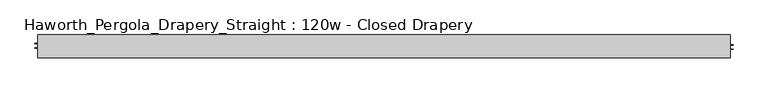
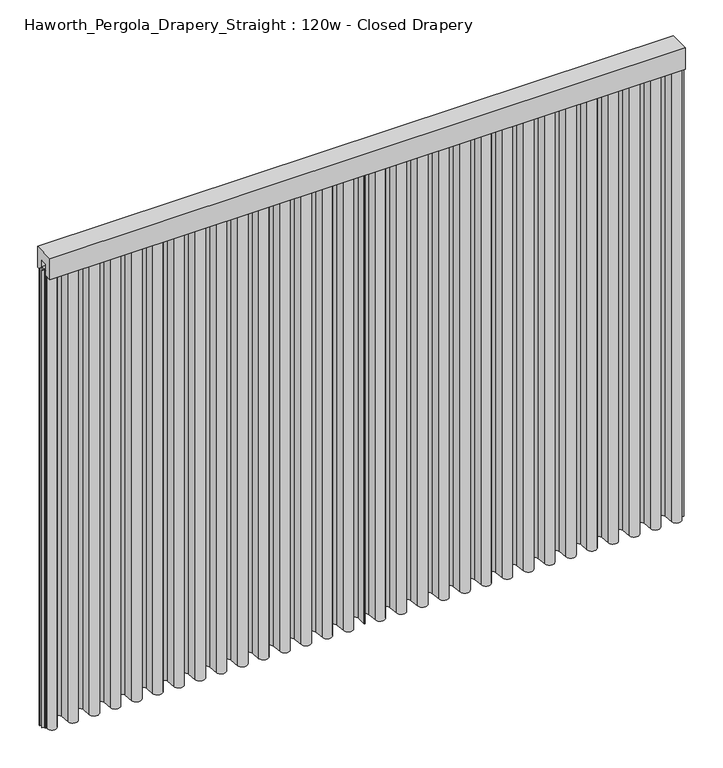
"""IFC4 building model written with IfcOpenShell, lengths in millimetres: furniture geometry, Haworth_Pergola_Drapery_Straight : 120w - Closed Drapery."""

from ifc_helpers import new_model, si_unit, point, frame, frame_2d, origin, place, context, project, spatial, polyline, circle_curve, trimmed, segment, composite_curve, outline, extrude, source, transform, mapped, element, save


def haworth_pergola_drapery_straight_120w_closed_drapery_7d684eee(model_context):
    return source(origin(), model_context, "Body", "SweptSolid", [
        extrude(outline(polyline([(-50.8, 2438.4), (50.8, 2438.4), (50.8, 2331.8390625), (15.2182948, 2331.8390625), (15.2182948, 2388.7001663), (-15.2182948, 2388.7001663), (-15.2182948, 2331.8390625), (-50.8, 2331.8390625), (-50.8, 2438.4)])), frame((-1790.7, 0.0, 0.0), z_axis=(1.0, 0.0, 0.0), x_axis=(0.0, 1.0, 0.0)), (0.0, 0.0, 1.0), 3048.0),
        extrude(outline(composite_curve([segment(polyline([(-1788.7, -20.9840165), (-1788.7, 25.4000008), (-1787.90625, 25.4000008), (-1787.90625, -20.9840165)]), True, "CONTINUOUS"), segment(trimmed(circle_curve(frame_2d((-1765.2970217, -20.9840165)), 22.6092283), [point((-1787.90625, -20.9840165))], [point((-1742.779759, -23.0211916))], True, "CARTESIAN"), True, "CONTINUOUS"), segment(polyline([(-1742.779759, -23.0211916), (-1738.5801015, 23.3983779)]), True, "CONTINUOUS"), segment(trimmed(circle_curve(frame_2d((-1714.5, 21.2198101)), 24.17845), [point((-1738.5801015, 23.3983779))], [point((-1690.4198983, 23.3983756))], False, "CARTESIAN"), True, "CONTINUOUS"), segment(polyline([(-1690.4198983, 23.3983756), (-1686.2298605, -22.9149155)]), True, "CONTINUOUS"), segment(trimmed(circle_curve(frame_2d((-1663.7000023, -20.876603)), 22.621875), [point((-1686.2298605, -22.9149155))], [point((-1641.1701443, -22.9149177))], True, "CARTESIAN"), True, "CONTINUOUS"), segment(polyline([(-1641.1701443, -22.9149177), (-1637.0109007, 23.0579488)]), True, "CONTINUOUS"), segment(trimmed(circle_curve(frame_2d((-1612.9, 20.8765946)), 24.209375), [point((-1637.0109007, 23.0579488))], [point((-1588.7890991, 23.0579465))], False, "CARTESIAN"), True, "CONTINUOUS"), segment(polyline([(-1588.7890991, 23.0579465), (-1584.6298605, -22.9149157)]), True, "CONTINUOUS"), segment(trimmed(circle_curve(frame_2d((-1562.1000023, -20.8766032)), 22.621875), [point((-1584.6298605, -22.9149157))], [point((-1539.5701443, -22.9149178))], True, "CARTESIAN"), True, "CONTINUOUS"), segment(polyline([(-1539.5701443, -22.9149178), (-1535.4109007, 23.0579492)]), True, "CONTINUOUS"), segment(trimmed(circle_curve(frame_2d((-1511.3, 20.876595)), 24.209375), [point((-1535.4109007, 23.0579492))], [point((-1487.1890991, 23.0579469))], False, "CARTESIAN"), True, "CONTINUOUS"), segment(polyline([(-1487.1890991, 23.0579469), (-1483.0298605, -22.9149155)]), True, "CONTINUOUS"), segment(trimmed(circle_curve(frame_2d((-1460.5000023, -20.876603)), 22.621875), [point((-1483.0298605, -22.9149155))], [point((-1437.9701443, -22.9149177))], True, "CARTESIAN"), True, "CONTINUOUS"), segment(polyline([(-1437.9701443, -22.9149177), (-1433.7801015, 23.3983779)]), True, "CONTINUOUS"), segment(trimmed(circle_curve(frame_2d((-1409.7, 21.2198101)), 24.17845), [point((-1433.7801015, 23.3983779))], [point((-1385.6198983, 23.3983756))], False, "CARTESIAN"), True, "CONTINUOUS"), segment(polyline([(-1385.6198983, 23.3983756), (-1381.4298605, -22.9149155)]), True, "CONTINUOUS"), segment(trimmed(circle_curve(frame_2d((-1358.9000023, -20.876603)), 22.621875), [point((-1381.4298605, -22.9149155))], [point((-1336.3701443, -22.9149177))], True, "CARTESIAN"), True, "CONTINUOUS"), segment(polyline([(-1336.3701443, -22.9149177), (-1332.1801015, 23.3983779)]), True, "CONTINUOUS"), segment(trimmed(circle_curve(frame_2d((-1308.1, 21.2198101)), 24.17845), [point((-1332.1801015, 23.3983779))], [point((-1284.0198983, 23.3983756))], False, "CARTESIAN"), True, "CONTINUOUS"), segment(polyline([(-1284.0198983, 23.3983756), (-1279.8298605, -22.9149155)]), True, "CONTINUOUS"), segment(trimmed(circle_curve(frame_2d((-1257.3000023, -20.876603)), 22.621875), [point((-1279.8298605, -22.9149155))], [point((-1234.7701443, -22.9149177))], True, "CARTESIAN"), True, "CONTINUOUS"), segment(polyline([(-1234.7701443, -22.9149177), (-1230.5801015, 23.3983779)]), True, "CONTINUOUS"), segment(trimmed(circle_curve(frame_2d((-1206.5, 21.2198101)), 24.17845), [point((-1230.5801015, 23.3983779))], [point((-1182.4198983, 23.3983756))], False, "CARTESIAN"), True, "CONTINUOUS"), segment(polyline([(-1182.4198983, 23.3983756), (-1178.2298605, -22.9149155)]), True, "CONTINUOUS"), segment(trimmed(circle_curve(frame_2d((-1155.7000023, -20.876603)), 22.621875), [point((-1178.2298605, -22.9149155))], [point((-1133.1701443, -22.9149177))], True, "CARTESIAN"), True, "CONTINUOUS"), segment(polyline([(-1133.1701443, -22.9149177), (-1128.9801015, 23.3983779)]), True, "CONTINUOUS"), segment(trimmed(circle_curve(frame_2d((-1104.9, 21.2198101)), 24.17845), [point((-1128.9801015, 23.3983779))], [point((-1080.8198983, 23.3983756))], False, "CARTESIAN"), True, "CONTINUOUS"), segment(polyline([(-1080.8198983, 23.3983756), (-1076.6298605, -22.9149155)]), True, "CONTINUOUS"), segment(trimmed(circle_curve(frame_2d((-1054.1000023, -20.876603)), 22.621875), [point((-1076.6298605, -22.9149155))], [point((-1031.5701443, -22.9149177))], True, "CARTESIAN"), True, "CONTINUOUS"), segment(polyline([(-1031.5701443, -22.9149177), (-1027.3801015, 23.3983779)]), True, "CONTINUOUS"), segment(trimmed(circle_curve(frame_2d((-1003.3, 21.2198101)), 24.17845), [point((-1027.3801015, 23.3983779))], [point((-979.2198983, 23.3983756))], False, "CARTESIAN"), True, "CONTINUOUS"), segment(polyline([(-979.2198983, 23.3983756), (-975.0298605, -22.9149155)]), True, "CONTINUOUS"), segment(trimmed(circle_curve(frame_2d((-952.5000023, -20.876603)), 22.621875), [point((-975.0298605, -22.9149155))], [point((-929.9701443, -22.9149177))], True, "CARTESIAN"), True, "CONTINUOUS"), segment(polyline([(-929.9701443, -22.9149177), (-925.7801015, 23.3983779)]), True, "CONTINUOUS"), segment(trimmed(circle_curve(frame_2d((-901.7, 21.2198101)), 24.17845), [point((-925.7801015, 23.3983779))], [point((-877.6198983, 23.3983756))], False, "CARTESIAN"), True, "CONTINUOUS"), segment(polyline([(-877.6198983, 23.3983756), (-873.4298605, -22.9149155)]), True, "CONTINUOUS"), segment(trimmed(circle_curve(frame_2d((-850.9000023, -20.876603)), 22.621875), [point((-873.4298605, -22.9149155))], [point((-828.3701443, -22.9149177))], True, "CARTESIAN"), True, "CONTINUOUS"), segment(polyline([(-828.3701443, -22.9149177), (-824.1801015, 23.3983779)]), True, "CONTINUOUS"), segment(trimmed(circle_curve(frame_2d((-800.1, 21.2198101)), 24.17845), [point((-824.1801015, 23.3983779))], [point((-776.0198983, 23.3983756))], False, "CARTESIAN"), True, "CONTINUOUS"), segment(polyline([(-776.0198983, 23.3983756), (-771.8298605, -22.9149155)]), True, "CONTINUOUS"), segment(trimmed(circle_curve(frame_2d((-749.3000023, -20.876603)), 22.621875), [point((-771.8298605, -22.9149155))], [point((-726.7701443, -22.9149177))], True, "CARTESIAN"), True, "CONTINUOUS"), segment(polyline([(-726.7701443, -22.9149177), (-722.5801015, 23.3983779)]), True, "CONTINUOUS"), segment(trimmed(circle_curve(frame_2d((-698.5, 21.2198101)), 24.17845), [point((-722.5801015, 23.3983779))], [point((-674.4198983, 23.3983756))], False, "CARTESIAN"), True, "CONTINUOUS"), segment(polyline([(-674.4198983, 23.3983756), (-670.2298605, -22.9149155)]), True, "CONTINUOUS"), segment(trimmed(circle_curve(frame_2d((-647.7000023, -20.876603)), 22.621875), [point((-670.2298605, -22.9149155))], [point((-625.1701443, -22.9149177))], True, "CARTESIAN"), True, "CONTINUOUS"), segment(polyline([(-625.1701443, -22.9149177), (-620.9801015, 23.3983779)]), True, "CONTINUOUS"), segment(trimmed(circle_curve(frame_2d((-596.9, 21.2198101)), 24.17845), [point((-620.9801015, 23.3983779))], [point((-572.8198983, 23.3983756))], False, "CARTESIAN"), True, "CONTINUOUS"), segment(polyline([(-572.8198983, 23.3983756), (-568.6298605, -22.9149155)]), True, "CONTINUOUS"), segment(trimmed(circle_curve(frame_2d((-546.1000023, -20.876603)), 22.621875), [point((-568.6298605, -22.9149155))], [point((-523.5701443, -22.9149177))], True, "CARTESIAN"), True, "CONTINUOUS"), segment(polyline([(-523.5701443, -22.9149177), (-519.3801015, 23.3983779)]), True, "CONTINUOUS"), segment(trimmed(circle_curve(frame_2d((-495.3, 21.2198101)), 24.17845), [point((-519.3801015, 23.3983779))], [point((-471.2198983, 23.3983756))], False, "CARTESIAN"), True, "CONTINUOUS"), segment(polyline([(-471.2198983, 23.3983756), (-467.0298605, -22.9149155)]), True, "CONTINUOUS"), segment(trimmed(circle_curve(frame_2d((-444.5000023, -20.876603)), 22.621875), [point((-467.0298605, -22.9149155))], [point((-421.9701443, -22.9149177))], True, "CARTESIAN"), True, "CONTINUOUS"), segment(polyline([(-421.9701443, -22.9149177), (-417.7801015, 23.3983779)]), True, "CONTINUOUS"), segment(trimmed(circle_curve(frame_2d((-393.7, 21.2198101)), 24.17845), [point((-417.7801015, 23.3983779))], [point((-369.6198983, 23.3983756))], False, "CARTESIAN"), True, "CONTINUOUS"), segment(polyline([(-369.6198983, 23.3983756), (-365.4298605, -22.9149155)]), True, "CONTINUOUS"), segment(trimmed(circle_curve(frame_2d((-342.9000023, -20.876603)), 22.621875), [point((-365.4298605, -22.9149155))], [point((-320.3701443, -22.9149177))], True, "CARTESIAN"), True, "CONTINUOUS"), segment(polyline([(-320.3701443, -22.9149177), (-316.1822049, 23.3751286)]), True, "CONTINUOUS"), segment(trimmed(circle_curve(frame_2d((-292.1409329, 21.2000738)), 24.139462), [point((-316.1822049, 23.3751286))], [point((-268.0014709, 21.2000738))], False, "CARTESIAN"), True, "CONTINUOUS"), segment(polyline([(-268.0014709, 21.2000738), (-268.0014709, -25.4000007), (-268.7952209, -25.4000007), (-268.7952209, 21.2000738)]), True, "CONTINUOUS"), segment(trimmed(circle_curve(frame_2d((-292.1409329, 21.2000738)), 23.345712), [point((-268.7952209, 21.2000738))], [point((-315.3916836, 23.3036088))], True, "CARTESIAN"), True, "CONTINUOUS"), segment(polyline([(-315.3916836, 23.3036088), (-319.5796229, -22.9864375)]), True, "CONTINUOUS"), segment(trimmed(circle_curve(frame_2d((-342.9000023, -20.876603)), 23.415625), [point((-319.5796229, -22.9864375))], [point((-366.2203818, -22.9864352))], False, "CARTESIAN"), True, "CONTINUOUS"), segment(polyline([(-366.2203818, -22.9864352), (-370.4104196, 23.3268558)]), True, "CONTINUOUS"), segment(trimmed(circle_curve(frame_2d((-393.7, 21.2198101)), 23.3847), [point((-370.4104196, 23.3268558))], [point((-416.9895802, 23.3268581))], True, "CARTESIAN"), True, "CONTINUOUS"), segment(polyline([(-416.9895802, 23.3268581), (-421.1796229, -22.9864375)]), True, "CONTINUOUS"), segment(trimmed(circle_curve(frame_2d((-444.5000023, -20.876603)), 23.415625), [point((-421.1796229, -22.9864375))], [point((-467.8203818, -22.9864352))], False, "CARTESIAN"), True, "CONTINUOUS"), segment(polyline([(-467.8203818, -22.9864352), (-472.0104196, 23.3268558)]), True, "CONTINUOUS"), segment(trimmed(circle_curve(frame_2d((-495.3, 21.2198101)), 23.3847), [point((-472.0104196, 23.3268558))], [point((-518.5895802, 23.3268581))], True, "CARTESIAN"), True, "CONTINUOUS"), segment(polyline([(-518.5895802, 23.3268581), (-522.7796229, -22.9864375)]), True, "CONTINUOUS"), segment(trimmed(circle_curve(frame_2d((-546.1000023, -20.876603)), 23.415625), [point((-522.7796229, -22.9864375))], [point((-569.4203818, -22.9864352))], False, "CARTESIAN"), True, "CONTINUOUS"), segment(polyline([(-569.4203818, -22.9864352), (-573.6104196, 23.3268558)]), True, "CONTINUOUS"), segment(trimmed(circle_curve(frame_2d((-596.9, 21.2198101)), 23.3847), [point((-573.6104196, 23.3268558))], [point((-620.1895802, 23.3268581))], True, "CARTESIAN"), True, "CONTINUOUS"), segment(polyline([(-620.1895802, 23.3268581), (-624.3796229, -22.9864375)]), True, "CONTINUOUS"), segment(trimmed(circle_curve(frame_2d((-647.7000023, -20.876603)), 23.415625), [point((-624.3796229, -22.9864375))], [point((-671.0203818, -22.9864352))], False, "CARTESIAN"), True, "CONTINUOUS"), segment(polyline([(-671.0203818, -22.9864352), (-675.2104196, 23.3268558)]), True, "CONTINUOUS"), segment(trimmed(circle_curve(frame_2d((-698.5, 21.2198101)), 23.3847), [point((-675.2104196, 23.3268558))], [point((-721.7895802, 23.3268581))], True, "CARTESIAN"), True, "CONTINUOUS"), segment(polyline([(-721.7895802, 23.3268581), (-725.9796229, -22.9864375)]), True, "CONTINUOUS"), segment(trimmed(circle_curve(frame_2d((-749.3000023, -20.876603)), 23.415625), [point((-725.9796229, -22.9864375))], [point((-772.6203818, -22.9864352))], False, "CARTESIAN"), True, "CONTINUOUS"), segment(polyline([(-772.6203818, -22.9864352), (-776.8104196, 23.3268558)]), True, "CONTINUOUS"), segment(trimmed(circle_curve(frame_2d((-800.1, 21.2198101)), 23.3847), [point((-776.8104196, 23.3268558))], [point((-823.3895802, 23.3268581))], True, "CARTESIAN"), True, "CONTINUOUS"), segment(polyline([(-823.3895802, 23.3268581), (-827.5796229, -22.9864375)]), True, "CONTINUOUS"), segment(trimmed(circle_curve(frame_2d((-850.9000023, -20.876603)), 23.415625), [point((-827.5796229, -22.9864375))], [point((-874.2203818, -22.9864352))], False, "CARTESIAN"), True, "CONTINUOUS"), segment(polyline([(-874.2203818, -22.9864352), (-878.4104196, 23.3268558)]), True, "CONTINUOUS"), segment(trimmed(circle_curve(frame_2d((-901.7, 21.2198101)), 23.3847), [point((-878.4104196, 23.3268558))], [point((-924.9895802, 23.3268581))], True, "CARTESIAN"), True, "CONTINUOUS"), segment(polyline([(-924.9895802, 23.3268581), (-929.1796229, -22.9864375)]), True, "CONTINUOUS"), segment(trimmed(circle_curve(frame_2d((-952.5000023, -20.876603)), 23.415625), [point((-929.1796229, -22.9864375))], [point((-975.8203818, -22.9864352))], False, "CARTESIAN"), True, "CONTINUOUS"), segment(polyline([(-975.8203818, -22.9864352), (-980.0104196, 23.3268558)]), True, "CONTINUOUS"), segment(trimmed(circle_curve(frame_2d((-1003.3, 21.2198101)), 23.3847), [point((-980.0104196, 23.3268558))], [point((-1026.5895802, 23.3268581))], True, "CARTESIAN"), True, "CONTINUOUS"), segment(polyline([(-1026.5895802, 23.3268581), (-1030.7796229, -22.9864375)]), True, "CONTINUOUS"), segment(trimmed(circle_curve(frame_2d((-1054.1000023, -20.876603)), 23.415625), [point((-1030.7796229, -22.9864375))], [point((-1077.4203818, -22.9864352))], False, "CARTESIAN"), True, "CONTINUOUS"), segment(polyline([(-1077.4203818, -22.9864352), (-1081.6104196, 23.3268558)]), True, "CONTINUOUS"), segment(trimmed(circle_curve(frame_2d((-1104.9, 21.2198101)), 23.3847), [point((-1081.6104196, 23.3268558))], [point((-1128.1895802, 23.3268581))], True, "CARTESIAN"), True, "CONTINUOUS"), segment(polyline([(-1128.1895802, 23.3268581), (-1132.3796229, -22.9864375)]), True, "CONTINUOUS"), segment(trimmed(circle_curve(frame_2d((-1155.7000023, -20.876603)), 23.415625), [point((-1132.3796229, -22.9864375))], [point((-1179.0203818, -22.9864352))], False, "CARTESIAN"), True, "CONTINUOUS"), segment(polyline([(-1179.0203818, -22.9864352), (-1183.2104196, 23.3268558)]), True, "CONTINUOUS"), segment(trimmed(circle_curve(frame_2d((-1206.5, 21.2198101)), 23.3847), [point((-1183.2104196, 23.3268558))], [point((-1229.7895802, 23.3268581))], True, "CARTESIAN"), True, "CONTINUOUS"), segment(polyline([(-1229.7895802, 23.3268581), (-1233.9796229, -22.9864375)]), True, "CONTINUOUS"), segment(trimmed(circle_curve(frame_2d((-1257.3000023, -20.876603)), 23.415625), [point((-1233.9796229, -22.9864375))], [point((-1280.6203818, -22.9864352))], False, "CARTESIAN"), True, "CONTINUOUS"), segment(polyline([(-1280.6203818, -22.9864352), (-1284.8104196, 23.3268558)]), True, "CONTINUOUS"), segment(trimmed(circle_curve(frame_2d((-1308.1, 21.2198101)), 23.3847), [point((-1284.8104196, 23.3268558))], [point((-1331.3895802, 23.3268581))], True, "CARTESIAN"), True, "CONTINUOUS"), segment(polyline([(-1331.3895802, 23.3268581), (-1335.5796229, -22.9864375)]), True, "CONTINUOUS"), segment(trimmed(circle_curve(frame_2d((-1358.9000023, -20.876603)), 23.415625), [point((-1335.5796229, -22.9864375))], [point((-1382.2203818, -22.9864352))], False, "CARTESIAN"), True, "CONTINUOUS"), segment(polyline([(-1382.2203818, -22.9864352), (-1386.4104196, 23.3268558)]), True, "CONTINUOUS"), segment(trimmed(circle_curve(frame_2d((-1409.7, 21.2198101)), 23.3847), [point((-1386.4104196, 23.3268558))], [point((-1432.9895802, 23.3268581))], True, "CARTESIAN"), True, "CONTINUOUS"), segment(polyline([(-1432.9895802, 23.3268581), (-1437.1796229, -22.9864375)]), True, "CONTINUOUS"), segment(trimmed(circle_curve(frame_2d((-1460.5000023, -20.876603)), 23.415625), [point((-1437.1796229, -22.9864375))], [point((-1483.8203818, -22.9864352))], False, "CARTESIAN"), True, "CONTINUOUS"), segment(polyline([(-1483.8203818, -22.9864352), (-1487.9796205, 22.9864271)]), True, "CONTINUOUS"), segment(trimmed(circle_curve(frame_2d((-1511.3, 20.876595)), 23.415625), [point((-1487.9796205, 22.9864271))], [point((-1534.6203794, 22.9864294))], True, "CARTESIAN"), True, "CONTINUOUS"), segment(polyline([(-1534.6203794, 22.9864294), (-1538.7796229, -22.9864377)]), True, "CONTINUOUS"), segment(trimmed(circle_curve(frame_2d((-1562.1000023, -20.8766032)), 23.415625), [point((-1538.7796229, -22.9864377))], [point((-1585.4203818, -22.9864354))], False, "CARTESIAN"), True, "CONTINUOUS"), segment(polyline([(-1585.4203818, -22.9864354), (-1589.5796205, 22.9864268)]), True, "CONTINUOUS"), segment(trimmed(circle_curve(frame_2d((-1612.9, 20.8765946)), 23.415625), [point((-1589.5796205, 22.9864268))], [point((-1636.2203794, 22.986429))], True, "CARTESIAN"), True, "CONTINUOUS"), segment(polyline([(-1636.2203794, 22.986429), (-1640.3796229, -22.9864375)]), True, "CONTINUOUS"), segment(trimmed(circle_curve(frame_2d((-1663.7000023, -20.876603)), 23.415625), [point((-1640.3796229, -22.9864375))], [point((-1687.0203818, -22.9864352))], False, "CARTESIAN"), True, "CONTINUOUS"), segment(polyline([(-1687.0203818, -22.9864352), (-1691.2104196, 23.3268558)]), True, "CONTINUOUS"), segment(trimmed(circle_curve(frame_2d((-1714.5, 21.2198101)), 23.3847), [point((-1691.2104196, 23.3268558))], [point((-1737.7895802, 23.3268581))], True, "CARTESIAN"), True, "CONTINUOUS"), segment(polyline([(-1737.7895802, 23.3268581), (-1741.9892377, -23.0927114)]), True, "CONTINUOUS"), segment(trimmed(circle_curve(frame_2d((-1765.2970217, -20.9840165)), 23.4029783), [point((-1741.9892377, -23.0927114))], [point((-1788.7, -20.9840165))], False, "CARTESIAN"), True, "CONTINUOUS")], self_intersect=False)), frame((0.0, 0.0, 38.1), z_axis=(0.0, 0.0, 1.0), x_axis=(1.0, 0.0, 0.0)), (0.0, 0.0, 1.0), 2305.05),
        extrude(outline(composite_curve([segment(trimmed(circle_curve(frame_2d((1231.8971615, -20.9840165)), 23.4029783), [point((1255.3001398, -20.9840165))], [point((1208.5893775, -23.0927114))], False, "CARTESIAN"), True, "CONTINUOUS"), segment(polyline([(1208.5893775, -23.0927114), (1204.3897199, 23.3268581)]), True, "CONTINUOUS"), segment(trimmed(circle_curve(frame_2d((1181.1001398, 21.2198101)), 23.3847), [point((1204.3897199, 23.3268581))], [point((1157.8105594, 23.3268558))], True, "CARTESIAN"), True, "CONTINUOUS"), segment(polyline([(1157.8105594, 23.3268558), (1153.6205216, -22.9864352)]), True, "CONTINUOUS"), segment(trimmed(circle_curve(frame_2d((1130.300142, -20.876603)), 23.415625), [point((1153.6205216, -22.9864352))], [point((1106.9797627, -22.9864375))], False, "CARTESIAN"), True, "CONTINUOUS"), segment(polyline([(1106.9797627, -22.9864375), (1102.8205191, 22.986429)]), True, "CONTINUOUS"), segment(trimmed(circle_curve(frame_2d((1079.5001398, 20.8765946)), 23.415625), [point((1102.8205191, 22.986429))], [point((1056.1797603, 22.9864268))], True, "CARTESIAN"), True, "CONTINUOUS"), segment(polyline([(1056.1797603, 22.9864268), (1052.0205216, -22.9864354)]), True, "CONTINUOUS"), segment(trimmed(circle_curve(frame_2d((1028.7001421, -20.876603)), 23.415625), [point((1052.0205216, -22.9864354))], [point((1005.3797627, -22.9864375))], False, "CARTESIAN"), True, "CONTINUOUS"), segment(polyline([(1005.3797627, -22.9864375), (1001.2205191, 22.9864294)]), True, "CONTINUOUS"), segment(trimmed(circle_curve(frame_2d((977.9001398, 20.876595)), 23.415625), [point((1001.2205191, 22.9864294))], [point((954.5797603, 22.9864271))], True, "CARTESIAN"), True, "CONTINUOUS"), segment(polyline([(954.5797603, 22.9864271), (950.4205216, -22.9864352)]), True, "CONTINUOUS"), segment(trimmed(circle_curve(frame_2d((927.100142, -20.876603)), 23.415625), [point((950.4205216, -22.9864352))], [point((903.7797627, -22.9864375))], False, "CARTESIAN"), True, "CONTINUOUS"), segment(polyline([(903.7797627, -22.9864375), (899.5897199, 23.3268581)]), True, "CONTINUOUS"), segment(trimmed(circle_curve(frame_2d((876.3001398, 21.2198101)), 23.3847), [point((899.5897199, 23.3268581))], [point((853.0105594, 23.3268558))], True, "CARTESIAN"), True, "CONTINUOUS"), segment(polyline([(853.0105594, 23.3268558), (848.8205216, -22.9864352)]), True, "CONTINUOUS"), segment(trimmed(circle_curve(frame_2d((825.500142, -20.876603)), 23.415625), [point((848.8205216, -22.9864352))], [point((802.1797627, -22.9864375))], False, "CARTESIAN"), True, "CONTINUOUS"), segment(polyline([(802.1797627, -22.9864375), (797.9897199, 23.3268581)]), True, "CONTINUOUS"), segment(trimmed(circle_curve(frame_2d((774.7001398, 21.2198101)), 23.3847), [point((797.9897199, 23.3268581))], [point((751.4105594, 23.3268558))], True, "CARTESIAN"), True, "CONTINUOUS"), segment(polyline([(751.4105594, 23.3268558), (747.2205216, -22.9864352)]), True, "CONTINUOUS"), segment(trimmed(circle_curve(frame_2d((723.900142, -20.876603)), 23.415625), [point((747.2205216, -22.9864352))], [point((700.5797627, -22.9864375))], False, "CARTESIAN"), True, "CONTINUOUS"), segment(polyline([(700.5797627, -22.9864375), (696.3897199, 23.3268581)]), True, "CONTINUOUS"), segment(trimmed(circle_curve(frame_2d((673.1001398, 21.2198101)), 23.3847), [point((696.3897199, 23.3268581))], [point((649.8105594, 23.3268558))], True, "CARTESIAN"), True, "CONTINUOUS"), segment(polyline([(649.8105594, 23.3268558), (645.6205216, -22.9864352)]), True, "CONTINUOUS"), segment(trimmed(circle_curve(frame_2d((622.300142, -20.876603)), 23.415625), [point((645.6205216, -22.9864352))], [point((598.9797627, -22.9864375))], False, "CARTESIAN"), True, "CONTINUOUS"), segment(polyline([(598.9797627, -22.9864375), (594.7897199, 23.3268581)]), True, "CONTINUOUS"), segment(trimmed(circle_curve(frame_2d((571.5001398, 21.2198101)), 23.3847), [point((594.7897199, 23.3268581))], [point((548.2105594, 23.3268558))], True, "CARTESIAN"), True, "CONTINUOUS"), segment(polyline([(548.2105594, 23.3268558), (544.0205216, -22.9864352)]), True, "CONTINUOUS"), segment(trimmed(circle_curve(frame_2d((520.700142, -20.876603)), 23.415625), [point((544.0205216, -22.9864352))], [point((497.3797627, -22.9864375))], False, "CARTESIAN"), True, "CONTINUOUS"), segment(polyline([(497.3797627, -22.9864375), (493.1897199, 23.3268581)]), True, "CONTINUOUS"), segment(trimmed(circle_curve(frame_2d((469.9001398, 21.2198101)), 23.3847), [point((493.1897199, 23.3268581))], [point((446.6105594, 23.3268558))], True, "CARTESIAN"), True, "CONTINUOUS"), segment(polyline([(446.6105594, 23.3268558), (442.4205216, -22.9864352)]), True, "CONTINUOUS"), segment(trimmed(circle_curve(frame_2d((419.100142, -20.876603)), 23.415625), [point((442.4205216, -22.9864352))], [point((395.7797627, -22.9864375))], False, "CARTESIAN"), True, "CONTINUOUS"), segment(polyline([(395.7797627, -22.9864375), (391.5897199, 23.3268581)]), True, "CONTINUOUS"), segment(trimmed(circle_curve(frame_2d((368.3001398, 21.2198101)), 23.3847), [point((391.5897199, 23.3268581))], [point((345.0105594, 23.3268558))], True, "CARTESIAN"), True, "CONTINUOUS"), segment(polyline([(345.0105594, 23.3268558), (340.8205216, -22.9864352)]), True, "CONTINUOUS"), segment(trimmed(circle_curve(frame_2d((317.500142, -20.876603)), 23.415625), [point((340.8205216, -22.9864352))], [point((294.1797627, -22.9864375))], False, "CARTESIAN"), True, "CONTINUOUS"), segment(polyline([(294.1797627, -22.9864375), (289.9897199, 23.3268581)]), True, "CONTINUOUS"), segment(trimmed(circle_curve(frame_2d((266.7001398, 21.2198101)), 23.3847), [point((289.9897199, 23.3268581))], [point((243.4105594, 23.3268558))], True, "CARTESIAN"), True, "CONTINUOUS"), segment(polyline([(243.4105594, 23.3268558), (239.2205216, -22.9864352)]), True, "CONTINUOUS"), segment(trimmed(circle_curve(frame_2d((215.900142, -20.876603)), 23.415625), [point((239.2205216, -22.9864352))], [point((192.5797627, -22.9864375))], False, "CARTESIAN"), True, "CONTINUOUS"), segment(polyline([(192.5797627, -22.9864375), (188.3897199, 23.3268581)]), True, "CONTINUOUS"), segment(trimmed(circle_curve(frame_2d((165.1001398, 21.2198101)), 23.3847), [point((188.3897199, 23.3268581))], [point((141.8105594, 23.3268558))], True, "CARTESIAN"), True, "CONTINUOUS"), segment(polyline([(141.8105594, 23.3268558), (137.6205216, -22.9864352)]), True, "CONTINUOUS"), segment(trimmed(circle_curve(frame_2d((114.300142, -20.876603)), 23.415625), [point((137.6205216, -22.9864352))], [point((90.9797627, -22.9864375))], False, "CARTESIAN"), True, "CONTINUOUS"), segment(polyline([(90.9797627, -22.9864375), (86.7897199, 23.3268581)]), True, "CONTINUOUS"), segment(trimmed(circle_curve(frame_2d((63.5001398, 21.2198101)), 23.3847), [point((86.7897199, 23.3268581))], [point((40.2105594, 23.3268558))], True, "CARTESIAN"), True, "CONTINUOUS"), segment(polyline([(40.2105594, 23.3268558), (36.0205216, -22.9864352)]), True, "CONTINUOUS"), segment(trimmed(circle_curve(frame_2d((12.700142, -20.876603)), 23.415625), [point((36.0205216, -22.9864352))], [point((-10.6202373, -22.9864375))], False, "CARTESIAN"), True, "CONTINUOUS"), segment(polyline([(-10.6202373, -22.9864375), (-14.8102801, 23.3268581)]), True, "CONTINUOUS"), segment(trimmed(circle_curve(frame_2d((-38.0998602, 21.2198101)), 23.3847), [point((-14.8102801, 23.3268581))], [point((-61.3894406, 23.3268558))], True, "CARTESIAN"), True, "CONTINUOUS"), segment(polyline([(-61.3894406, 23.3268558), (-65.5794784, -22.9864352)]), True, "CONTINUOUS"), segment(trimmed(circle_curve(frame_2d((-88.899858, -20.876603)), 23.415625), [point((-65.5794784, -22.9864352))], [point((-112.2202373, -22.9864375))], False, "CARTESIAN"), True, "CONTINUOUS"), segment(polyline([(-112.2202373, -22.9864375), (-116.4102801, 23.3268581)]), True, "CONTINUOUS"), segment(trimmed(circle_curve(frame_2d((-139.6998602, 21.2198101)), 23.3847), [point((-116.4102801, 23.3268581))], [point((-162.9894406, 23.3268558))], True, "CARTESIAN"), True, "CONTINUOUS"), segment(polyline([(-162.9894406, 23.3268558), (-167.1794784, -22.9864352)]), True, "CONTINUOUS"), segment(trimmed(circle_curve(frame_2d((-190.499858, -20.876603)), 23.415625), [point((-167.1794784, -22.9864352))], [point((-213.8202373, -22.9864375))], False, "CARTESIAN"), True, "CONTINUOUS"), segment(polyline([(-213.8202373, -22.9864375), (-218.0081766, 23.3036088)]), True, "CONTINUOUS"), segment(trimmed(circle_curve(frame_2d((-241.2589273, 21.2000738)), 23.345712), [point((-218.0081766, 23.3036088))], [point((-264.6046393, 21.2000738))], True, "CARTESIAN"), True, "CONTINUOUS"), segment(polyline([(-264.6046393, 21.2000738), (-264.6046393, -25.4000007), (-265.3983893, -25.4000007), (-265.3983893, 21.2000738)]), True, "CONTINUOUS"), segment(trimmed(circle_curve(frame_2d((-241.2589273, 21.2000738)), 24.139462), [point((-265.3983893, 21.2000738))], [point((-217.2176553, 23.3751286))], False, "CARTESIAN"), True, "CONTINUOUS"), segment(polyline([(-217.2176553, 23.3751286), (-213.029716, -22.9149177)]), True, "CONTINUOUS"), segment(trimmed(circle_curve(frame_2d((-190.499858, -20.876603)), 22.621875), [point((-213.029716, -22.9149177))], [point((-167.9699998, -22.9149155))], True, "CARTESIAN"), True, "CONTINUOUS"), segment(polyline([(-167.9699998, -22.9149155), (-163.779962, 23.3983756)]), True, "CONTINUOUS"), segment(trimmed(circle_curve(frame_2d((-139.6998602, 21.2198101)), 24.17845), [point((-163.779962, 23.3983756))], [point((-115.6197587, 23.3983779))], False, "CARTESIAN"), True, "CONTINUOUS"), segment(polyline([(-115.6197587, 23.3983779), (-111.429716, -22.9149177)]), True, "CONTINUOUS"), segment(trimmed(circle_curve(frame_2d((-88.899858, -20.876603)), 22.621875), [point((-111.429716, -22.9149177))], [point((-66.3699998, -22.9149155))], True, "CARTESIAN"), True, "CONTINUOUS"), segment(polyline([(-66.3699998, -22.9149155), (-62.179962, 23.3983756)]), True, "CONTINUOUS"), segment(trimmed(circle_curve(frame_2d((-38.0998602, 21.2198101)), 24.17845), [point((-62.179962, 23.3983756))], [point((-14.0197587, 23.3983779))], False, "CARTESIAN"), True, "CONTINUOUS"), segment(polyline([(-14.0197587, 23.3983779), (-9.829716, -22.9149177)]), True, "CONTINUOUS"), segment(trimmed(circle_curve(frame_2d((12.700142, -20.876603)), 22.621875), [point((-9.829716, -22.9149177))], [point((35.2300002, -22.9149155))], True, "CARTESIAN"), True, "CONTINUOUS"), segment(polyline([(35.2300002, -22.9149155), (39.420038, 23.3983756)]), True, "CONTINUOUS"), segment(trimmed(circle_curve(frame_2d((63.5001398, 21.2198101)), 24.17845), [point((39.420038, 23.3983756))], [point((87.5802413, 23.3983779))], False, "CARTESIAN"), True, "CONTINUOUS"), segment(polyline([(87.5802413, 23.3983779), (91.770284, -22.9149177)]), True, "CONTINUOUS"), segment(trimmed(circle_curve(frame_2d((114.300142, -20.876603)), 22.621875), [point((91.770284, -22.9149177))], [point((136.8300002, -22.9149155))], True, "CARTESIAN"), True, "CONTINUOUS"), segment(polyline([(136.8300002, -22.9149155), (141.020038, 23.3983756)]), True, "CONTINUOUS"), segment(trimmed(circle_curve(frame_2d((165.1001398, 21.2198101)), 24.17845), [point((141.020038, 23.3983756))], [point((189.1802413, 23.3983779))], False, "CARTESIAN"), True, "CONTINUOUS"), segment(polyline([(189.1802413, 23.3983779), (193.370284, -22.9149177)]), True, "CONTINUOUS"), segment(trimmed(circle_curve(frame_2d((215.900142, -20.876603)), 22.621875), [point((193.370284, -22.9149177))], [point((238.4300002, -22.9149155))], True, "CARTESIAN"), True, "CONTINUOUS"), segment(polyline([(238.4300002, -22.9149155), (242.620038, 23.3983756)]), True, "CONTINUOUS"), segment(trimmed(circle_curve(frame_2d((266.7001398, 21.2198101)), 24.17845), [point((242.620038, 23.3983756))], [point((290.7802413, 23.3983779))], False, "CARTESIAN"), True, "CONTINUOUS"), segment(polyline([(290.7802413, 23.3983779), (294.970284, -22.9149177)]), True, "CONTINUOUS"), segment(trimmed(circle_curve(frame_2d((317.500142, -20.876603)), 22.621875), [point((294.970284, -22.9149177))], [point((340.0300002, -22.9149155))], True, "CARTESIAN"), True, "CONTINUOUS"), segment(polyline([(340.0300002, -22.9149155), (344.220038, 23.3983756)]), True, "CONTINUOUS"), segment(trimmed(circle_curve(frame_2d((368.3001398, 21.2198101)), 24.17845), [point((344.220038, 23.3983756))], [point((392.3802413, 23.3983779))], False, "CARTESIAN"), True, "CONTINUOUS"), segment(polyline([(392.3802413, 23.3983779), (396.570284, -22.9149177)]), True, "CONTINUOUS"), segment(trimmed(circle_curve(frame_2d((419.100142, -20.876603)), 22.621875), [point((396.570284, -22.9149177))], [point((441.6300002, -22.9149155))], True, "CARTESIAN"), True, "CONTINUOUS"), segment(polyline([(441.6300002, -22.9149155), (445.820038, 23.3983756)]), True, "CONTINUOUS"), segment(trimmed(circle_curve(frame_2d((469.9001398, 21.2198101)), 24.17845), [point((445.820038, 23.3983756))], [point((493.9802413, 23.3983779))], False, "CARTESIAN"), True, "CONTINUOUS"), segment(polyline([(493.9802413, 23.3983779), (498.170284, -22.9149177)]), True, "CONTINUOUS"), segment(trimmed(circle_curve(frame_2d((520.700142, -20.876603)), 22.621875), [point((498.170284, -22.9149177))], [point((543.2300002, -22.9149155))], True, "CARTESIAN"), True, "CONTINUOUS"), segment(polyline([(543.2300002, -22.9149155), (547.420038, 23.3983756)]), True, "CONTINUOUS"), segment(trimmed(circle_curve(frame_2d((571.5001398, 21.2198101)), 24.17845), [point((547.420038, 23.3983756))], [point((595.5802413, 23.3983779))], False, "CARTESIAN"), True, "CONTINUOUS"), segment(polyline([(595.5802413, 23.3983779), (599.770284, -22.9149177)]), True, "CONTINUOUS"), segment(trimmed(circle_curve(frame_2d((622.300142, -20.876603)), 22.621875), [point((599.770284, -22.9149177))], [point((644.8300002, -22.9149155))], True, "CARTESIAN"), True, "CONTINUOUS"), segment(polyline([(644.8300002, -22.9149155), (649.020038, 23.3983756)]), True, "CONTINUOUS"), segment(trimmed(circle_curve(frame_2d((673.1001398, 21.2198101)), 24.17845), [point((649.020038, 23.3983756))], [point((697.1802413, 23.3983779))], False, "CARTESIAN"), True, "CONTINUOUS"), segment(polyline([(697.1802413, 23.3983779), (701.370284, -22.9149177)]), True, "CONTINUOUS"), segment(trimmed(circle_curve(frame_2d((723.900142, -20.876603)), 22.621875), [point((701.370284, -22.9149177))], [point((746.4300002, -22.9149155))], True, "CARTESIAN"), True, "CONTINUOUS"), segment(polyline([(746.4300002, -22.9149155), (750.620038, 23.3983756)]), True, "CONTINUOUS"), segment(trimmed(circle_curve(frame_2d((774.7001398, 21.2198101)), 24.17845), [point((750.620038, 23.3983756))], [point((798.7802413, 23.3983779))], False, "CARTESIAN"), True, "CONTINUOUS"), segment(polyline([(798.7802413, 23.3983779), (802.970284, -22.9149177)]), True, "CONTINUOUS"), segment(trimmed(circle_curve(frame_2d((825.500142, -20.876603)), 22.621875), [point((802.970284, -22.9149177))], [point((848.0300002, -22.9149155))], True, "CARTESIAN"), True, "CONTINUOUS"), segment(polyline([(848.0300002, -22.9149155), (852.220038, 23.3983756)]), True, "CONTINUOUS"), segment(trimmed(circle_curve(frame_2d((876.3001398, 21.2198101)), 24.17845), [point((852.220038, 23.3983756))], [point((900.3802413, 23.3983779))], False, "CARTESIAN"), True, "CONTINUOUS"), segment(polyline([(900.3802413, 23.3983779), (904.570284, -22.9149177)]), True, "CONTINUOUS"), segment(trimmed(circle_curve(frame_2d((927.100142, -20.876603)), 22.621875), [point((904.570284, -22.9149177))], [point((949.6300002, -22.9149155))], True, "CARTESIAN"), True, "CONTINUOUS"), segment(polyline([(949.6300002, -22.9149155), (953.7892389, 23.0579469)]), True, "CONTINUOUS"), segment(trimmed(circle_curve(frame_2d((977.9001398, 20.876595)), 24.209375), [point((953.7892389, 23.0579469))], [point((1002.0110405, 23.0579492))], False, "CARTESIAN"), True, "CONTINUOUS"), segment(polyline([(1002.0110405, 23.0579492), (1006.170284, -22.9149178)]), True, "CONTINUOUS"), segment(trimmed(circle_curve(frame_2d((1028.7001421, -20.876603)), 22.621875), [point((1006.170284, -22.9149178))], [point((1051.2300003, -22.9149155))], True, "CARTESIAN"), True, "CONTINUOUS"), segment(polyline([(1051.2300003, -22.9149155), (1055.3892389, 23.0579465)]), True, "CONTINUOUS"), segment(trimmed(circle_curve(frame_2d((1079.5001398, 20.8765946)), 24.209375), [point((1055.3892389, 23.0579465))], [point((1103.6110405, 23.0579488))], False, "CARTESIAN"), True, "CONTINUOUS"), segment(polyline([(1103.6110405, 23.0579488), (1107.770284, -22.9149177)]), True, "CONTINUOUS"), segment(trimmed(circle_curve(frame_2d((1130.300142, -20.876603)), 22.621875), [point((1107.770284, -22.9149177))], [point((1152.8300002, -22.9149155))], True, "CARTESIAN"), True, "CONTINUOUS"), segment(polyline([(1152.8300002, -22.9149155), (1157.020038, 23.3983756)]), True, "CONTINUOUS"), segment(trimmed(circle_curve(frame_2d((1181.1001398, 21.2198101)), 24.17845), [point((1157.020038, 23.3983756))], [point((1205.1802413, 23.3983779))], False, "CARTESIAN"), True, "CONTINUOUS"), segment(polyline([(1205.1802413, 23.3983779), (1209.3798988, -23.0211916)]), True, "CONTINUOUS"), segment(trimmed(circle_curve(frame_2d((1231.8971615, -20.9840165)), 22.6092283), [point((1209.3798988, -23.0211916))], [point((1254.5063898, -20.9840165))], True, "CARTESIAN"), True, "CONTINUOUS"), segment(polyline([(1254.5063898, -20.9840165), (1254.5063898, 25.4000008), (1255.3001398, 25.4000008), (1255.3001398, -20.9840165)]), True, "CONTINUOUS")], self_intersect=False)), frame((0.0, 0.0, 38.1), z_axis=(0.0, 0.0, 1.0), x_axis=(1.0, 0.0, 0.0)), (0.0, 0.0, 1.0), 2305.05),
        extrude(outline(polyline([(-1790.7, -15.2249995), (-1790.7, 15.2249996), (1257.3, 15.2249996), (1257.3, -15.2249995), (-1790.7, -15.2249995)])), frame((0.0, 0.0, 2355.85), z_axis=(0.0, 0.0, 1.0), x_axis=(1.0, 0.0, 0.0)), (0.0, 0.0, 1.0), 1.7500385),
        extrude(outline(polyline([(1257.3, -15.2249996), (1257.3, 15.2249995), (1259.0500001, 15.2249995), (1259.0500001, 7.8249998), (1270.6999997, 7.8249998), (1270.6999997, 4.8250001), (1259.0500001, 4.8250001), (1259.0500001, -11.8250005), (1270.5499997, -11.8250005), (1270.5499997, -13.3999997), (1259.0500001, -13.3999997), (1259.0500001, -15.2249996), (1257.3, -15.2249996)])), frame((0.0, 0.0, 38.1), z_axis=(0.0, 0.0, 1.0), x_axis=(1.0, 0.0, 0.0)), (0.0, 0.0, 1.0), 2317.75),
        extrude(outline(polyline([(-1790.7, 15.2249996), (-1790.7, -15.2249995), (-1792.4500001, -15.2249995), (-1792.4500001, -7.8249998), (-1804.0999997, -7.8249998), (-1804.0999997, -4.8250001), (-1792.4500001, -4.8250001), (-1792.4500001, 11.8250005), (-1803.9499997, 11.8250005), (-1803.9499997, 13.3999997), (-1792.4500001, 13.3999997), (-1792.4500001, 15.2249996), (-1790.7, 15.2249996)])), frame((0.0, 0.0, 38.1), z_axis=(0.0, 0.0, 1.0), x_axis=(1.0, 0.0, 0.0)), (0.0, 0.0, 1.0), 2317.75),
        extrude(outline(composite_curve([segment(trimmed(circle_curve(frame_2d((-266.7, 0.0)), 6.0), [point((-272.7, 0.0))], [point((-260.7, 0.0))], False, "CARTESIAN"), True, "CONTINUOUS"), segment(trimmed(circle_curve(frame_2d((-266.7, 0.0)), 6.0), [point((-260.7, 0.0))], [point((-272.7, 0.0))], False, "CARTESIAN"), True, "CONTINUOUS")], self_intersect=False)), frame((0.0, 0.0, 2319.1390625), z_axis=(0.0, 0.0, 1.0), x_axis=(1.0, 0.0, 0.0)), (0.0, 0.0, 1.0), 36.7109375),
    ])


if __name__ == "__main__":
    model = new_model("IFC4")
    model_context = context("Model", 3, world=origin())
    ifc_project = project(units=[si_unit("LENGTHUNIT", "METRE", prefix="MILLI")], contexts=[model_context])
    site = spatial("IfcSite", under=ifc_project)
    building = spatial("IfcBuilding", under=site)
    placement = place(None, origin())
    haworth_pergola_drapery_straight_120w_closed_drapery_shape = haworth_pergola_drapery_straight_120w_closed_drapery_7d684eee(model_context)
    element("IfcFurniture", 1, ObjectType="Haworth_Pergola_Drapery_Straight : 120w - Closed Drapery", at=placement, inside=building, context=model_context, shape_type="MappedRepresentation", body=[
        mapped(haworth_pergola_drapery_straight_120w_closed_drapery_shape, transform((0.0, 0.0, 0.0), x_axis=(1.0, 0.0, 0.0), y_axis=(0.0, 1.0, 0.0), z_axis=(0.0, 0.0, 1.0))),
    ])
    save(model, "model.ifc")
